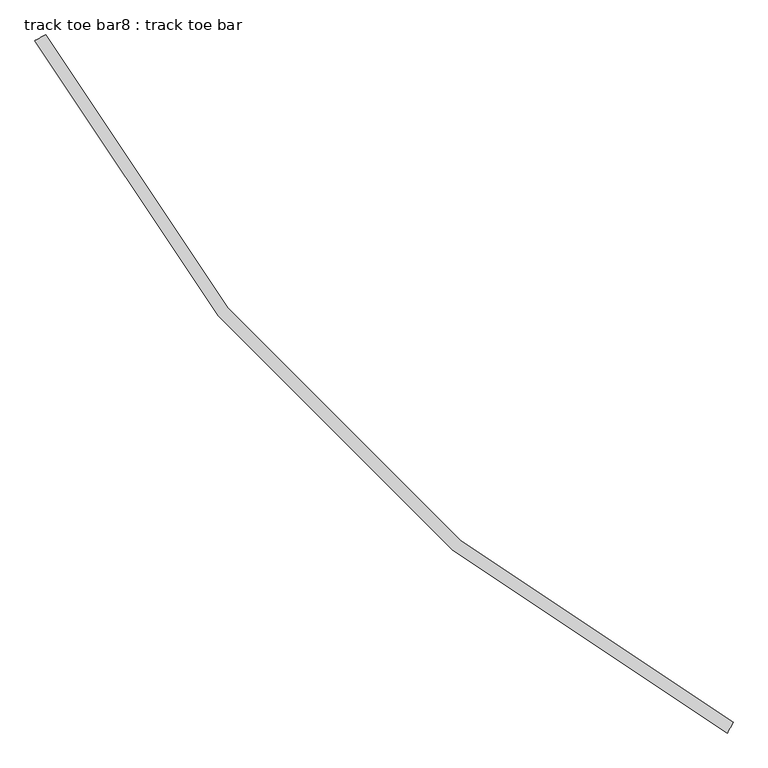
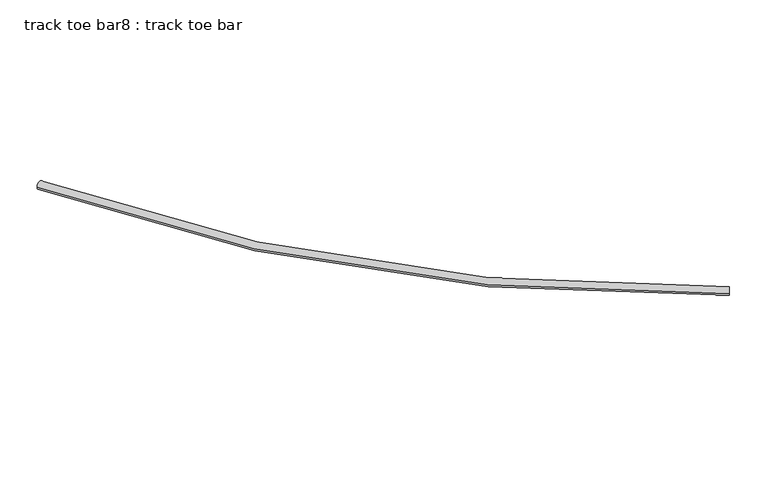
"""IFC4 building model written with IfcOpenShell, lengths in millimetres: proxy geometry, track toe bar8 : track toe bar."""

import ifcopenshell
import ifcopenshell.guid

model = None  # the IFC model being written
_history = None  # IfcOwnerHistory: only IFC2X3 demands one
_inside = {}  # id of a spatial element -> (the spatial element, [elements in it])
_under = {}  # id of a project, library or spatial element -> (it, [spatial elements below it])
_declared = {}  # id of a project -> (the project, [libraries it declares])
_typed = {}  # id of a type object -> (the type object, [elements of that type])
_made_of = {}  # id of a material, layer set ... -> (it, [elements and type objects made of it])


def new_model(schema):
    """Start an empty IFC model of exactly this schema.

    Asked for "IFC4X3", IfcOpenShell would pick the latest addendum, in which some entities
    have other attributes; the version numbers below select the first issue.
    IFC2X3 requires an IfcOwnerHistory on every rooted entity: one is made here for all.
    """
    global model, _history
    if schema == "IFC4X3":
        model = ifcopenshell.file(schema_version=(4, 3, 0, 0))
    else:
        model = ifcopenshell.file(schema=schema)
    _inside.clear()
    _under.clear()
    _declared.clear()
    _typed.clear()
    _made_of.clear()
    _history = None
    if model.schema == "IFC2X3":
        org = make("IfcOrganization", Name="unknown")
        user = make(
            "IfcPersonAndOrganization",
            ThePerson=make("IfcPerson", FamilyName="unknown"),
            TheOrganization=org,
        )
        app = make(
            "IfcApplication",
            ApplicationDeveloper=org,
            Version="unknown",
            ApplicationFullName="unknown",
            ApplicationIdentifier="unknown",
        )
        _history = make(
            "IfcOwnerHistory",
            OwningUser=user,
            OwningApplication=app,
            ChangeAction="ADDED",
            CreationDate=0,
        )
    return model


def make(cls, **values):
    """One entity of the class cls with the attributes given. An attribute that is None is left unset."""
    return model.create_entity(
        cls, **{name: value for name, value in values.items() if value is not None}
    )


def rooted(cls, **values):
    """An entity with a GlobalId (a new one), such as an element, a storey or a relation."""
    return make(cls, GlobalId=ifcopenshell.guid.new(), OwnerHistory=_history, **values)


def si_unit(unit_type, name, prefix=None):
    """IfcSIUnit, for example si_unit("LENGTHUNIT", "METRE", prefix="MILLI")."""
    return make("IfcSIUnit", UnitType=unit_type, Prefix=prefix, Name=name)


def assignment(units):
    """IfcUnitAssignment: the units of a project."""
    return None if units is None else make("IfcUnitAssignment", Units=units)


def point(xyz):
    """IfcCartesianPoint."""
    return None if xyz is None else make("IfcCartesianPoint", Coordinates=xyz)


def direction(xyz):
    """IfcDirection."""
    return None if xyz is None else make("IfcDirection", DirectionRatios=xyz)


def frame(location, z_axis=None, x_axis=None):
    """IfcAxis2Placement3D, a coordinate frame: its origin and axes. An axis left out is left unset."""
    return make(
        "IfcAxis2Placement3D",
        Location=point(location),
        Axis=direction(z_axis),
        RefDirection=direction(x_axis),
    )


def origin():
    """The frame at (0, 0, 0) with its axes left unset."""
    return frame((0.0, 0.0, 0.0))


def place(relative_to, where):
    """IfcLocalPlacement: puts the frame where relative to a parent placement (None: the world)."""
    return make(
        "IfcLocalPlacement", PlacementRelTo=relative_to, RelativePlacement=where
    )


def context(
    kind, dimensions, precision=None, world=None, true_north=None, identifier=None
):
    """IfcGeometricRepresentationContext, for example the 3D "Model" context."""
    return make(
        "IfcGeometricRepresentationContext",
        ContextIdentifier=identifier,
        ContextType=kind,
        CoordinateSpaceDimension=dimensions,
        Precision=precision,
        WorldCoordinateSystem=world,
        TrueNorth=true_north,
    )


def project(units=None, contexts=None):
    """IfcProject with its units and contexts."""
    return rooted(
        "IfcProject",
        Name="project",
        RepresentationContexts=contexts,
        UnitsInContext=assignment(units),
    )


def spatial(cls, under=None, at=None, **own):
    """A site, building, storey or space (cls), placed at a placement, below another one or the project."""
    s = rooted(cls, ObjectPlacement=at, **own)
    if under is not None:
        _under.setdefault(under.id(), (under, []))[1].append(s)
    return s


def circle_curve(where, radius):
    """IfcCircle in the frame where."""
    return make("IfcCircle", Position=where, Radius=radius)


def ellipse_curve(where, semi_axis1, semi_axis2):
    """IfcEllipse in the frame where."""
    return make(
        "IfcEllipse", Position=where, SemiAxis1=semi_axis1, SemiAxis2=semi_axis2
    )


def trimmed(basis, trim1, trim2, sense, master):
    """IfcTrimmedCurve: the piece of a basis curve between two trims."""
    return make(
        "IfcTrimmedCurve",
        BasisCurve=basis,
        Trim1=trim1,
        Trim2=trim2,
        SenseAgreement=sense,
        MasterRepresentation=master,
    )


def shape(context_of_items, identifier, shape_type, items):
    """IfcShapeRepresentation: the items that make up one representation, for example the "Body"."""
    return make(
        "IfcShapeRepresentation",
        ContextOfItems=context_of_items,
        RepresentationIdentifier=identifier,
        RepresentationType=shape_type,
        Items=items,
    )


def source(mapping_origin, context_of_items, identifier, shape_type, items):
    """IfcRepresentationMap: a shape defined once, which mapped items show again and again."""
    return make(
        "IfcRepresentationMap",
        MappingOrigin=mapping_origin,
        MappedRepresentation=shape(context_of_items, identifier, shape_type, items),
    )


def transform(
    local_origin,
    x_axis=None,
    y_axis=None,
    z_axis=None,
    scale=None,
    scale2=None,
    scale3=None,
    uniform=True,
):
    """IfcCartesianTransformationOperator3D, or its non-uniform kind. x_axis, y_axis, z_axis: its Axis1, 2, 3."""
    if uniform:
        return make(
            "IfcCartesianTransformationOperator3D",
            Axis1=direction(x_axis),
            Axis2=direction(y_axis),
            LocalOrigin=point(local_origin),
            Scale=scale,
            Axis3=direction(z_axis),
        )
    return make(
        "IfcCartesianTransformationOperator3DnonUniform",
        Axis1=direction(x_axis),
        Axis2=direction(y_axis),
        LocalOrigin=point(local_origin),
        Scale=scale,
        Axis3=direction(z_axis),
        Scale2=scale2,
        Scale3=scale3,
    )


def mapped(mapping_source, mapping_target):
    """IfcMappedItem: shows the shape of a source again, moved by a transform."""
    return make(
        "IfcMappedItem", MappingSource=mapping_source, MappingTarget=mapping_target
    )


def made_of(thing, what):
    """Note that an element or type object is made of a material, layer set ...; save() writes the relation."""
    if what is not None:
        _made_of.setdefault(what.id(), (what, []))[1].append(thing)
    return thing


def element(
    cls,
    number,
    at=None,
    inside=None,
    cuts=None,
    type_object=None,
    material=None,
    context=None,
    identifier="Body",
    shape_type=None,
    held_by="IfcProductDefinitionShape",
    body=None,
    shapes=None,
    **own,
):
    """One element of the class cls, such as IfcWall. Its Tag is "e" and its number.

    at: its placement. inside: the storey or other place that contains it. cuts: it is an
    opening in that element (IfcRelVoidsElement). A single representation is given by context,
    identifier, shape_type and body (its items); several are given by shapes. held_by: the class
    of the entity that holds the representations. save() writes the other relations.
    """
    e = rooted(cls, Tag="e%d" % number, ObjectPlacement=at, **own)
    if body is not None:
        shapes = [shape(context, identifier, shape_type, body)]
    if shapes is not None:
        e.Representation = make(held_by, Representations=shapes)
    if inside is not None:
        _inside.setdefault(inside.id(), (inside, []))[1].append(e)
    if cuts is not None:
        rooted(
            "IfcRelVoidsElement", RelatingBuildingElement=cuts, RelatedOpeningElement=e
        )
    if type_object is not None:
        _typed.setdefault(type_object.id(), (type_object, []))[1].append(e)
    return made_of(e, material)


def aggregate(whole, parts):
    """IfcRelAggregates: a whole, such as a stair, and the parts it consists of."""
    return rooted("IfcRelAggregates", RelatingObject=whole, RelatedObjects=parts)


def save(model, path):
    """Write the relations noted so far, then the file.

    IfcRelAggregates (storeys below a building ...), IfcRelContainedInSpatialStructure (elements
    in a storey), IfcRelDefinesByType, IfcRelAssociatesMaterial and IfcRelDeclares: one each for
    every whole, place, type object, material and project.
    """
    for whole, parts in _under.values():
        aggregate(whole, parts)
    for where, things in _inside.values():
        rooted(
            "IfcRelContainedInSpatialStructure",
            RelatedElements=things,
            RelatingStructure=where,
        )
    for kind, things in _typed.values():
        rooted("IfcRelDefinesByType", RelatedObjects=things, RelatingType=kind)
    for what, things in _made_of.values():
        rooted("IfcRelAssociatesMaterial", RelatedObjects=things, RelatingMaterial=what)
    for by, libraries in _declared.values():
        rooted("IfcRelDeclares", RelatingContext=by, RelatedDefinitions=libraries)
    model.write(path)


def plane_surface(at):
    """IfcPlane: the flat surface through the origin of the frame at, square to its z axis."""
    return make("IfcPlane", Position=at)


def revolved_surface(curve, axis_point, axis_direction):
    """IfcSurfaceOfRevolution: the curve turned about the line through axis_point along axis_direction."""
    return make(
        "IfcSurfaceOfRevolution",
        SweptCurve=make("IfcArbitraryOpenProfileDef", ProfileType="CURVE", Curve=curve),
        AxisPosition=make("IfcAxis1Placement", Location=point(axis_point), Axis=direction(axis_direction)),
    )


def advanced_brep(points, edges, surfaces, faces):
    """IfcAdvancedBrep: a solid bounded by faces that lie on surfaces and meet in shared edges.

    An edge is (start, end): straight between two places in points (the first is 0);
    or (start, end, curve); or (start, end, curve, False) where it runs against its curve.
    A face is (place in surfaces, loops), or (place, loops, False) where it looks against
    its surface's normal. A loop lists edges by number (the first is 1), with a minus sign
    where the edge is run from its end to its start. The first loop is the outer one.
    """
    corners = [point(p) for p in points]
    vertices = [make("IfcVertexPoint", VertexGeometry=c) for c in corners]
    made = []
    for start, end, *more in edges:
        made.append(
            make(
                "IfcEdgeCurve",
                EdgeStart=vertices[start],
                EdgeEnd=vertices[end],
                EdgeGeometry=more[0] if more else make("IfcPolyline", Points=[corners[start], corners[end]]),
                SameSense=more[1] if len(more) > 1 else True,
            )
        )
    hull = []
    for where, loops, *sense in faces:
        bounds = []
        for j, loop in enumerate(loops):
            ring = [make("IfcOrientedEdge", EdgeElement=made[abs(k) - 1], Orientation=k > 0) for k in loop]
            bounds.append(
                make(
                    "IfcFaceOuterBound" if j == 0 else "IfcFaceBound",
                    Bound=make("IfcEdgeLoop", EdgeList=ring),
                    Orientation=True,
                )
            )
        hull.append(make("IfcAdvancedFace", Bounds=bounds, FaceSurface=surfaces[where], SameSense=sense[0] if sense else True))
    return make("IfcAdvancedBrep", Outer=make("IfcClosedShell", CfsFaces=hull))


def track_toe_bar8_track_toe_bar_b6051729(model_context):
    return source(origin(), model_context, "Body", "AdvancedBrep", [
        advanced_brep(
        [(493950.1951833, -293975.3030125, 4855.8150744), (493914.3363598, -294042.5383066, 4855.8150744), (489635.9304775, -289661.0383066, 4855.8150744), (489568.6951833, -289696.8971301, 4855.8150744)],
        [
            (0, 1, circle_curve(frame((493932.2657716, -294008.9206595, 4855.8150744), z_axis=(0.8823529411766178, -0.47058823529384186, 0.0), x_axis=(-0.47058823529384186, -0.8823529411766178, 0.0)), 38.1)),
            (1, 0, circle_curve(frame((493932.2657716, -294008.9206595, 4855.8150744), z_axis=(0.8823529411766178, -0.47058823529384186, 0.0), x_axis=(-0.47058823529384186, -0.8823529411766178, 0.0)), 38.1)),
            (2, 3, circle_curve(frame((489602.3128304, -289678.9677184, 4855.8150744), z_axis=(-0.47058823529386234, 0.8823529411766067, 0.0), x_axis=(-0.8823529411766067, -0.47058823529386234, 0.0)), 38.1)),
            (3, 2, circle_curve(frame((489602.3128304, -289678.9677184, 4855.8150744), z_axis=(-0.47058823529386234, 0.8823529411766067, 0.0), x_axis=(-0.8823529411766067, -0.47058823529386234, 0.0)), 38.1)),
            (3, 1, circle_curve(frame((498880.7834186, -284730.4500713, 4855.8150744), z_axis=(0.0, 0.0, 1.0), x_axis=(-0.47058823529384175, -0.8823529411766178, 0.0)), 10553.7)),
            (0, 2, circle_curve(frame((498880.7834186, -284730.4500713, 4855.8150744), z_axis=(0.0, 0.0, -1.0), x_axis=(-0.47058823529384175, -0.8823529411766178, 0.0)), 10477.5)),
        ],
        [
            plane_surface(frame((493932.2657716, -294008.9206595, 4927.6), z_axis=(0.8823529411766178, -0.47058823529384186, 0.0), x_axis=(0.0, 0.0, 1.0))),
            plane_surface(frame((489602.3128304, -289678.9677184, 4927.6), z_axis=(-0.4705882352938624, 0.8823529411766067, 0.0), x_axis=(0.0, 0.0, 1.0))),
            revolved_surface(trimmed(ellipse_curve(frame((493932.2657716, -294008.9206595, 4855.8150744), z_axis=(0.8823529411766178, -0.47058823529384186, 0.0), x_axis=(-0.47058823529384186, -0.8823529411766178, 0.0)), 38.1, 38.1), [point((493950.1951833, -293975.3030125, 4855.8150744))], [point((493914.3363598, -294042.5383066, 4855.8150744))], True, "CARTESIAN"), (498880.7834186, -284730.4500713, 4927.6), (0.0, 0.0, -1.0)),
            revolved_surface(trimmed(ellipse_curve(frame((493932.2657716, -294008.9206595, 4855.8150744), z_axis=(0.8823529411766178, -0.47058823529384186, 0.0), x_axis=(-0.47058823529384186, -0.8823529411766178, 0.0)), 38.1, 38.1), [point((493914.3363598, -294042.5383066, 4855.8150744))], [point((493950.1951833, -293975.3030125, 4855.8150744))], True, "CARTESIAN"), (498880.7834186, -284730.4500713, 4927.6), (0.0, 0.0, -1.0)),
        ],
        [
            (0, [[1, 2]]),
            (1, [[3, 4]]),
            (2, [[5, -1, 6, -4]]),
            (3, [[-6, -2, -5, -3]]),
        ],
    ),
    ])


if __name__ == "__main__":
    model = new_model("IFC4")
    model_context = context("Model", 3, world=origin())
    ifc_project = project(units=[si_unit("LENGTHUNIT", "METRE", prefix="MILLI")], contexts=[model_context])
    site = spatial("IfcSite", under=ifc_project)
    building = spatial("IfcBuilding", under=site)
    placement = place(None, origin())
    track_toe_bar8_track_toe_bar_shape = track_toe_bar8_track_toe_bar_b6051729(model_context)
    element("IfcBuildingElementProxy", 1, Name="track toe bar8 : track toe bar", ObjectType="track toe bar8 : track toe bar", at=placement, inside=building, context=model_context, shape_type="MappedRepresentation", body=[
        mapped(track_toe_bar8_track_toe_bar_shape, transform((0.0, 0.0, 0.0), x_axis=(1.0, 0.0, 0.0), y_axis=(0.0, 1.0, 0.0), z_axis=(0.0, 0.0, 1.0))),
    ])
    save(model, "model.ifc")
